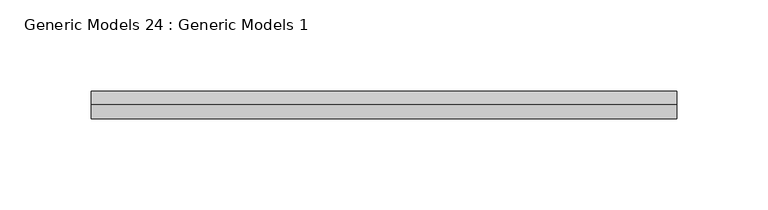
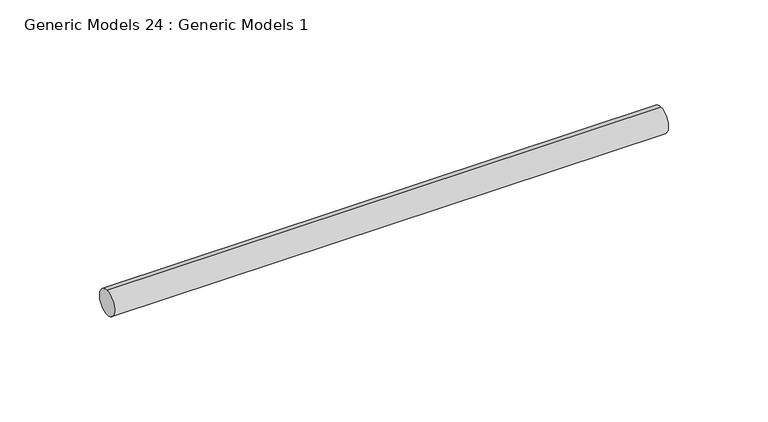
"""IFC4 building model written with IfcOpenShell, lengths in millimetres: proxy geometry, Generic Models 24 : Generic Models 1."""

from ifc_helpers import new_model, si_unit, point, frame, frame_2d, origin, place, context, project, spatial, circle_curve, trimmed, segment, composite_curve, outline, extrude, source, transform, mapped, element, save


def generic_models_24_generic_models_1_f5f32f41(model_context):
    return source(origin(), model_context, "Body", "SweptSolid", [
        extrude(outline(composite_curve([segment(trimmed(circle_curve(frame_2d((400.3057469, -818.1141294)), 7.5), [point((400.3057469, -825.6141294))], [point((400.3057469, -810.6141294))], False, "CARTESIAN"), True, "CONTINUOUS"), segment(trimmed(circle_curve(frame_2d((400.3057469, -818.1141294)), 7.5), [point((400.3057469, -810.6141294))], [point((400.3057469, -825.6141294))], False, "CARTESIAN"), True, "CONTINUOUS")], self_intersect=False)), frame((5010.746064, 0.0, 0.0), z_axis=(1.0, 0.0, 0.0), x_axis=(0.0, 1.0, 0.0)), (0.0, 0.0, 1.0), 321.0),
    ])


if __name__ == "__main__":
    model = new_model("IFC4")
    model_context = context("Model", 3, world=origin())
    ifc_project = project(units=[si_unit("LENGTHUNIT", "METRE", prefix="MILLI")], contexts=[model_context])
    site = spatial("IfcSite", under=ifc_project)
    building = spatial("IfcBuilding", under=site)
    placement = place(None, origin())
    generic_models_24_generic_models_1_shape = generic_models_24_generic_models_1_f5f32f41(model_context)
    element("IfcBuildingElementProxy", 1, Name="Generic Models 24 : Generic Models 1", ObjectType="Generic Models 24 : Generic Models 1", at=placement, inside=building, context=model_context, shape_type="MappedRepresentation", body=[
        mapped(generic_models_24_generic_models_1_shape, transform((0.0, 0.0, 0.0), x_axis=(1.0, 0.0, 0.0), y_axis=(0.0, 1.0, 0.0), z_axis=(0.0, 0.0, 1.0))),
    ])
    save(model, "model.ifc")
